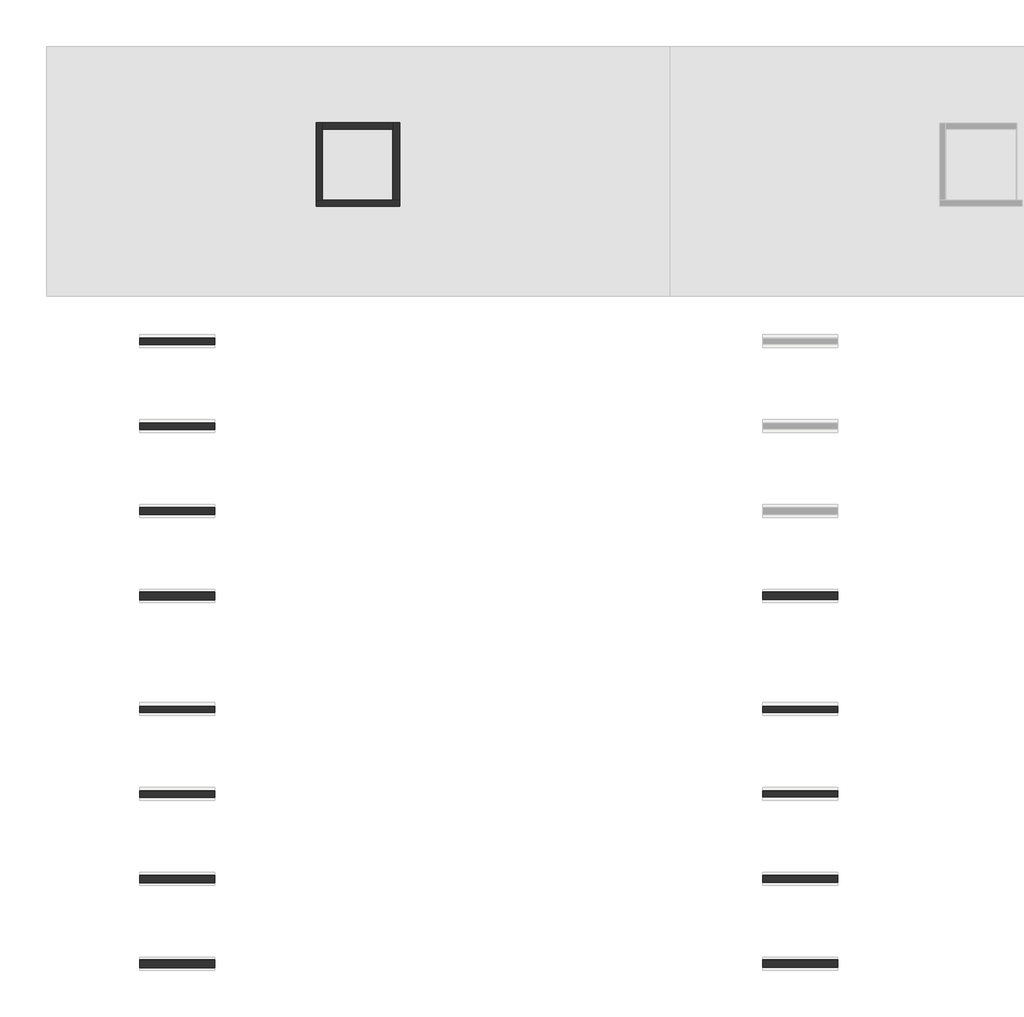
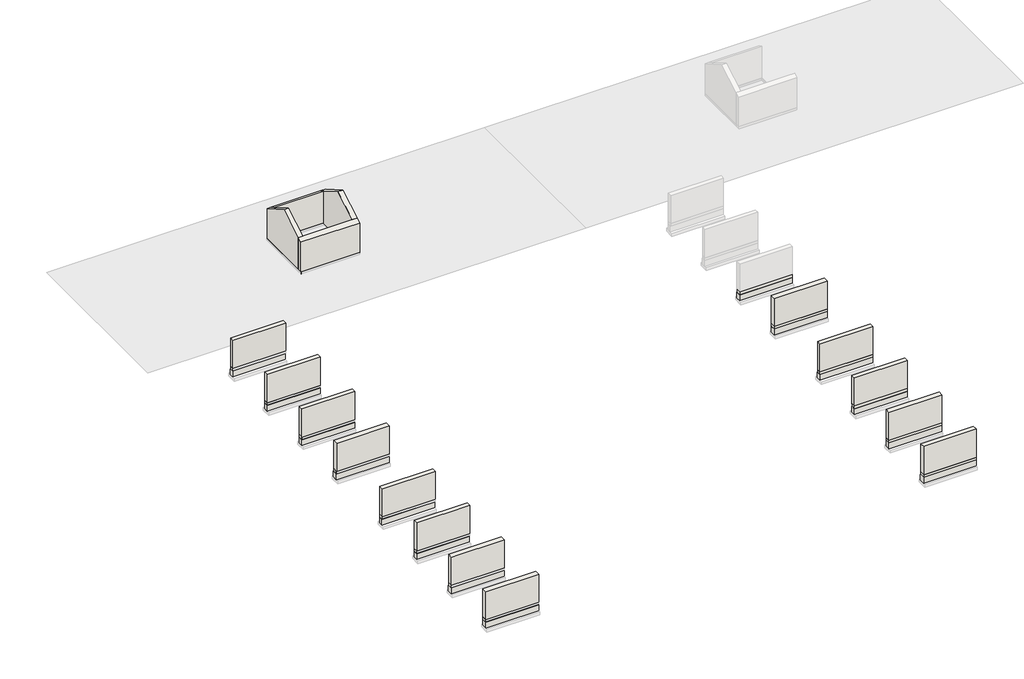
# One storey, part 1 of 2: 53 walls.
"""IFC4 building model written with IfcOpenShell, lengths in millimetres."""

from ifc_helpers import new_model, si_unit, frame, origin, place, context, project, spatial, polyline, outline, extrude, faceted_brep, element, save

model = new_model("IFC4")

# Units and contexts
model_context = context("Model", 3, world=origin())
ifc_project = project(units=[si_unit("LENGTHUNIT", "METRE", prefix="MILLI")], contexts=[model_context])

# Site, building, storey
site = spatial("IfcSite", under=ifc_project)
building = spatial("IfcBuilding", under=site)
storey = spatial("IfcBuildingStorey", under=building, Elevation=-900.0)

# Walls
placement = place(None, origin())
element("IfcWall", 1, at=placement, inside=storey, context=model_context, shape_type="Brep", body=[
    faceted_brep([(30427.1158978, 53561.4236863, -900.0), (36277.1158978, 53561.4236863, -900.0), (36277.1158978, 53561.4236863, -278.0), (30427.1158978, 53561.4236863, -278.0), (30427.1158978, 54001.4236863, -900.0), (30427.1158978, 54001.4236863, -278.0), (30867.1158978, 54001.4236863, -278.0), (36277.1158978, 54001.4236863, -278.0), (36277.1158978, 54001.4236863, -900.0), (35837.1158978, 54001.4236863, -900.0), (30867.1158978, 54001.4236863, -900.0), (30427.1158978, 53961.4236863, -278.0), (36277.1158978, 53961.4236863, -278.0)], [[[0, 1, 2, 3]], [[4, 5, 6, 7, 8, 9, 10]], [[1, 0, 4, 10, 9, 8]], [[0, 3, 11, 5, 4]], [[2, 1, 8, 7, 12]], [[3, 2, 12, 7, 6, 5, 11]]]),
])
element("IfcWall", 2, at=placement, inside=storey, context=model_context, shape_type="Brep", body=[
    faceted_brep([(30427.1158978, 53561.4236863, -278.0), (36277.1158978, 53561.4236863, -278.0), (36277.1158978, 53561.4236863, -225.0), (36277.1158978, 53561.4236863, 5.0), (30427.1158978, 53561.4236863, 5.0), (30427.1158978, 53561.4236863, -225.0), (36277.1158978, 53961.4236863, -278.0), (30827.1158978, 53961.4236863, -278.0), (30427.1158978, 53961.4236863, -278.0), (30427.1158978, 53961.4236863, -225.0), (30427.1158978, 53961.4236863, 5.0), (30827.1158978, 53961.4236863, 5.0), (36277.1158978, 53961.4236863, 5.0), (36277.1158978, 53961.4236863, 0.0), (36277.1158978, 53961.4236863, -275.0)], [[[0, 1, 2, 3, 4, 5]], [[6, 7, 8, 9, 10, 11, 12, 13, 14]], [[1, 0, 8, 7, 6]], [[8, 0, 5, 4, 10, 9]], [[1, 6, 14, 13, 12, 3, 2]], [[4, 3, 12, 11, 10]]]),
])
element("IfcWall", 3, at=placement, inside=storey, context=model_context, shape_type="Brep", body=[
    faceted_brep([(30403.1158978, 53537.4236863, 5.0), (36301.1158978, 53537.4236863, 5.0), (36301.1158978, 53537.4236863, 3152.9978213), (30403.1158978, 53537.4236863, 3152.9978213), (36301.1158978, 53976.4236863, 5.0), (30842.1158978, 53976.4236863, 5.0), (30403.1158978, 53976.4236863, 5.0), (30403.1158978, 53976.4236863, 3406.4545895), (30527.1158978, 53976.4236863, 3406.4545895), (30842.1158978, 53976.4236863, 3406.4545895), (35822.1158978, 53976.4236863, 3406.4545895), (36177.1158978, 53976.4236863, 3406.4545895), (36301.1158978, 53976.4236863, 3406.4545895)], [[[0, 1, 2, 3]], [[4, 5, 6, 7, 8, 9, 10, 11, 12]], [[1, 0, 6, 5, 4]], [[0, 3, 7, 6]], [[2, 1, 4, 12]], [[3, 2, 12, 11, 10, 9, 8, 7]]]),
])
element("IfcWall", 4, at=placement, inside=storey, context=model_context, shape_type="Brep", body=[
    faceted_brep([(30427.1158978, 59411.4236863, -900.0), (30427.1158978, 54001.4236863, -900.0), (30427.1158978, 54001.4236863, -278.0), (30427.1158978, 59411.4236863, -278.0), (30867.1158978, 59411.4236863, -900.0), (30867.1158978, 59411.4236863, -278.0), (30867.1158978, 58971.4236863, -278.0), (30867.1158978, 54001.4236863, -278.0), (30867.1158978, 54001.4236863, -900.0), (30867.1158978, 58971.4236863, -900.0), (30827.1158978, 59411.4236863, -278.0)], [[[0, 1, 2, 3]], [[4, 5, 6, 7, 8, 9]], [[1, 0, 4, 9, 8]], [[2, 1, 8, 7]], [[0, 3, 10, 5, 4]], [[3, 2, 7, 6, 5, 10]]]),
])
element("IfcWall", 5, at=placement, inside=storey, context=model_context, shape_type="Brep", body=[
    faceted_brep([(30427.1158978, 59411.4236863, -278.0), (30427.1158978, 54001.4236863, -278.0), (30427.1158978, 53961.4236863, -278.0), (30427.1158978, 53961.4236863, -225.0), (30427.1158978, 53961.4236863, 5.0), (30427.1158978, 59411.4236863, 5.0), (30427.1158978, 59411.4236863, -225.0), (30827.1158978, 53961.4236863, -278.0), (30827.1158978, 59011.4236863, -278.0), (30827.1158978, 59411.4236863, -278.0), (30827.1158978, 59411.4236863, -225.0), (30827.1158978, 59411.4236863, 5.0), (30827.1158978, 59011.4236863, 5.0), (30827.1158978, 53961.4236863, 5.0)], [[[0, 1, 2, 3, 4, 5, 6]], [[7, 8, 9, 10, 11, 12, 13]], [[2, 1, 0, 9, 8, 7]], [[2, 7, 13, 4, 3]], [[9, 0, 6, 5, 11, 10]], [[5, 4, 13, 12, 11]]]),
])
element("IfcWall", 6, at=placement, inside=storey, context=model_context, shape_type="Brep", body=[
    faceted_brep([(30403.1158978, 59435.4236863, 5.0), (30403.1158978, 53976.4236863, 5.0), (30403.1158978, 53976.4236863, 3406.4545895), (30403.1158978, 56486.4236863, 4855.6037652), (30403.1158978, 59435.4236863, 3152.9978213), (30842.1158978, 59435.4236863, 5.0), (30842.1158978, 59435.4236863, 3152.9978213), (30842.1158978, 58996.4236863, 3406.4545895), (30842.1158978, 56486.4236863, 4855.6037652), (30842.1158978, 53976.4236863, 3406.4545895), (30842.1158978, 53976.4236863, 5.0), (30842.1158978, 58996.4236863, 5.0)], [[[0, 1, 2, 3, 4]], [[5, 6, 7, 8, 9, 10, 11]], [[1, 0, 5, 11, 10]], [[2, 1, 10, 9]], [[0, 4, 6, 5]], [[4, 3, 8, 7, 6]], [[3, 2, 9, 8]]]),
])
element("IfcWall", 7, at=placement, inside=storey, context=model_context, shape_type="SweptSolid", body=[
    extrude(outline(polyline([(30867.1158978, 59411.4236863), (35837.1158978, 59411.4236863), (35837.1158978, 58971.4236863), (30867.1158978, 58971.4236863), (30867.1158978, 59411.4236863)])), frame((0.0, 0.0, -900.0), z_axis=(0.0, 0.0, 1.0), x_axis=(1.0, 0.0, 0.0)), (0.0, 0.0, 1.0), 622.0),
])
element("IfcWall", 8, at=placement, inside=storey, context=model_context, shape_type="Brep", body=[
    faceted_brep([(35877.1158978, 59411.4236863, -278.0), (35837.1158978, 59411.4236863, -278.0), (30867.1158978, 59411.4236863, -278.0), (30827.1158978, 59411.4236863, -278.0), (30827.1158978, 59411.4236863, -225.0), (30827.1158978, 59411.4236863, 5.0), (35877.1158978, 59411.4236863, 5.0), (35877.1158978, 59411.4236863, 0.0), (35877.1158978, 59411.4236863, -225.0), (35877.1158978, 59411.4236863, -275.0), (30827.1158978, 59011.4236863, -278.0), (35877.1158978, 59011.4236863, -278.0), (35877.1158978, 59011.4236863, 5.0), (30827.1158978, 59011.4236863, 5.0)], [[[0, 1, 2, 3, 4, 5, 6, 7, 8, 9]], [[10, 11, 12, 13]], [[3, 2, 1, 0, 11, 10]], [[3, 10, 13, 5, 4]], [[12, 11, 0, 9, 8, 7, 6]], [[6, 5, 13, 12]]]),
])
element("IfcWall", 9, at=placement, inside=storey, context=model_context, shape_type="Brep", body=[
    faceted_brep([(35822.1158978, 59435.4236863, 5.0), (30842.1158978, 59435.4236863, 5.0), (30842.1158978, 59435.4236863, 3152.9978213), (35822.1158978, 59435.4236863, 3152.9978213), (35822.1158978, 58996.4236863, 5.0), (35822.1158978, 58996.4236863, 14.5), (35822.1158978, 58996.4236863, 134.5), (35822.1158978, 58996.4236863, 3406.4545895), (30842.1158978, 58996.4236863, 3406.4545895), (30842.1158978, 58996.4236863, 5.0)], [[[0, 1, 2, 3]], [[4, 5, 6, 7, 8, 9]], [[1, 0, 4, 9]], [[2, 1, 9, 8]], [[0, 3, 7, 6, 5, 4]], [[3, 2, 8, 7]]]),
])
element("IfcWall", 10, at=placement, inside=storey, context=model_context, shape_type="Brep", body=[
    faceted_brep([(35837.1158978, 59411.4236863, -900.0), (35837.1158978, 58971.4236863, -900.0), (35837.1158978, 54001.4236863, -900.0), (35837.1158978, 54001.4236863, -275.0), (35837.1158978, 59411.4236863, -275.0), (35837.1158978, 59411.4236863, -278.0), (36277.1158978, 59411.4236863, -900.0), (36277.1158978, 59411.4236863, -275.0), (36277.1158978, 54001.4236863, -275.0), (36277.1158978, 54001.4236863, -278.0), (36277.1158978, 54001.4236863, -900.0), (35877.1158978, 59411.4236863, -275.0)], [[[0, 1, 2, 3, 4, 5]], [[6, 7, 8, 9, 10]], [[2, 1, 0, 6, 10]], [[3, 2, 10, 9, 8]], [[0, 5, 4, 11, 7, 6]], [[4, 3, 8, 7, 11]]]),
])
element("IfcWall", 11, at=placement, inside=storey, context=model_context, shape_type="Brep", body=[
    faceted_brep([(35877.1158978, 59411.4236863, -275.0), (35877.1158978, 53961.4236863, -275.0), (35877.1158978, 53961.4236863, 0.0), (35877.1158978, 59411.4236863, 0.0), (36277.1158978, 59411.4236863, -275.0), (36277.1158978, 59411.4236863, 0.0), (36277.1158978, 53961.4236863, 0.0), (36277.1158978, 53961.4236863, -275.0), (36277.1158978, 54001.4236863, -275.0)], [[[0, 1, 2, 3]], [[4, 5, 6, 7, 8]], [[1, 0, 4, 8, 7]], [[2, 1, 7, 6]], [[0, 3, 5, 4]], [[3, 2, 6, 5]]]),
])
element("IfcWall", 12, at=placement, inside=storey, context=model_context, shape_type="Brep", body=[
    faceted_brep([(35822.1158978, 59435.4236863, 0.0), (35822.1158978, 53976.4236863, 0.0), (35822.1158978, 53976.4236863, 9.5), (35822.1158978, 53976.4236863, 129.5), (35822.1158978, 53976.4236863, 3406.4545895), (35822.1158978, 56486.4236863, 4855.6037652), (35822.1158978, 58996.4236863, 3406.4545895), (35822.1158978, 59435.4236863, 3152.9978213), (35822.1158978, 59435.4236863, 5.0), (36301.1158978, 59435.4236863, 0.0), (36301.1158978, 59435.4236863, 3152.9978213), (36301.1158978, 56486.4236863, 4855.6037652), (36301.1158978, 53976.4236863, 3406.4545895), (36301.1158978, 53976.4236863, 5.0), (36301.1158978, 53976.4236863, 0.0)], [[[0, 1, 2, 3, 4, 5, 6, 7, 8]], [[9, 10, 11, 12, 13, 14]], [[1, 0, 9, 14]], [[4, 3, 2, 1, 14, 13, 12]], [[0, 8, 7, 10, 9]], [[7, 6, 5, 11, 10]], [[5, 4, 12, 11]]]),
])
element("IfcWall", 13, at=placement, inside=storey, context=model_context, shape_type="Brep", body=[
    faceted_brep([(17930.0129216, -249.5763137, -900.0), (23240.0129216, -249.5763137, -900.0), (23240.0129216, -249.5763137, -278.0), (17930.0129216, -249.5763137, -278.0), (17930.0129216, 290.4236863, -900.0), (17930.0129216, 290.4236863, -278.0), (23240.0129216, 290.4236863, -278.0), (23240.0129216, 290.4236863, -900.0), (23240.0129216, 250.4236863, -278.0), (17930.0129216, 250.4236863, -278.0)], [[[0, 1, 2, 3]], [[4, 5, 6, 7]], [[1, 0, 4, 7]], [[2, 1, 7, 6, 8]], [[3, 2, 8, 6, 5, 9]], [[0, 3, 9, 5, 4]]]),
])
element("IfcWall", 14, at=placement, inside=storey, context=model_context, shape_type="Brep", body=[
    faceted_brep([(17930.0129216, -249.5763137, -278.0), (23240.0129216, -249.5763137, -278.0), (23240.0129216, -249.5763137, -225.0), (23240.0129216, -249.5763137, 5.0), (17930.0129216, -249.5763137, 5.0), (17930.0129216, -249.5763137, -225.0), (17930.0129216, 250.4236863, -278.0), (17930.0129216, 250.4236863, 5.0), (23240.0129216, 250.4236863, 5.0), (23240.0129216, 250.4236863, -278.0)], [[[0, 1, 2, 3, 4, 5]], [[6, 7, 8, 9]], [[1, 0, 6, 9]], [[3, 2, 1, 9, 8]], [[4, 3, 8, 7]], [[0, 5, 4, 7, 6]]]),
])
element("IfcWall", 15, at=placement, inside=storey, context=model_context, shape_type="Brep", body=[
    faceted_brep([(17930.0129216, -273.5763137, 5.0), (23240.0129216, -273.5763137, 5.0), (23240.0129216, -273.5763137, 3000.0), (17930.0129216, -273.5763137, 3000.0), (17930.0129216, 265.4236863, 5.0), (17930.0129216, 265.4236863, 14.5), (17930.0129216, 265.4236863, 134.5), (17930.0129216, 265.4236863, 3000.0), (23240.0129216, 265.4236863, 3000.0), (23240.0129216, 265.4236863, 134.5), (23240.0129216, 265.4236863, 14.5), (23240.0129216, 265.4236863, 5.0), (17930.0129216, -249.5763137, 5.0), (17930.0129216, 250.4236863, 5.0), (23240.0129216, 250.4236863, 5.0), (23240.0129216, -249.5763137, 5.0)], [[[0, 1, 2, 3]], [[4, 5, 6, 7, 8, 9, 10, 11]], [[1, 0, 12, 13, 4, 11, 14, 15]], [[2, 1, 15, 14, 11, 10, 9, 8]], [[3, 2, 8, 7]], [[0, 3, 7, 6, 5, 4, 13, 12]]]),
])
element("IfcWall", 16, at=placement, inside=storey, context=model_context, shape_type="Brep", body=[
    faceted_brep([(17930.0129216, 5775.4236863, -900.0), (23240.0129216, 5775.4236863, -900.0), (23240.0129216, 5775.4236863, -278.0), (17930.0129216, 5775.4236863, -278.0), (17930.0129216, 6265.4236863, -900.0), (17930.0129216, 6265.4236863, -278.0), (23240.0129216, 6265.4236863, -278.0), (23240.0129216, 6265.4236863, -900.0), (23240.0129216, 6225.4236863, -278.0), (17930.0129216, 6225.4236863, -278.0)], [[[0, 1, 2, 3]], [[4, 5, 6, 7]], [[1, 0, 4, 7]], [[2, 1, 7, 6, 8]], [[3, 2, 8, 6, 5, 9]], [[0, 3, 9, 5, 4]]]),
])
element("IfcWall", 17, at=placement, inside=storey, context=model_context, shape_type="Brep", body=[
    faceted_brep([(17930.0129216, 5775.4236863, -278.0), (23240.0129216, 5775.4236863, -278.0), (23240.0129216, 5775.4236863, -225.0), (23240.0129216, 5775.4236863, 5.0), (17930.0129216, 5775.4236863, 5.0), (17930.0129216, 5775.4236863, -225.0), (17930.0129216, 6225.4236863, -278.0), (17930.0129216, 6225.4236863, 5.0), (23240.0129216, 6225.4236863, 5.0), (23240.0129216, 6225.4236863, -278.0)], [[[0, 1, 2, 3, 4, 5]], [[6, 7, 8, 9]], [[1, 0, 6, 9]], [[3, 2, 1, 9, 8]], [[4, 3, 8, 7]], [[0, 5, 4, 7, 6]]]),
])
element("IfcWall", 18, at=placement, inside=storey, context=model_context, shape_type="Brep", body=[
    faceted_brep([(17930.0129216, 5751.4236863, 5.0), (23240.0129216, 5751.4236863, 5.0), (23240.0129216, 5751.4236863, 3000.0), (17930.0129216, 5751.4236863, 3000.0), (17930.0129216, 6240.4236863, 5.0), (17930.0129216, 6240.4236863, 14.5), (17930.0129216, 6240.4236863, 134.5), (17930.0129216, 6240.4236863, 3000.0), (23240.0129216, 6240.4236863, 3000.0), (23240.0129216, 6240.4236863, 134.5), (23240.0129216, 6240.4236863, 14.5), (23240.0129216, 6240.4236863, 5.0), (17930.0129216, 5775.4236863, 5.0), (17930.0129216, 6225.4236863, 5.0), (23240.0129216, 6225.4236863, 5.0), (23240.0129216, 5775.4236863, 5.0)], [[[0, 1, 2, 3]], [[4, 5, 6, 7, 8, 9, 10, 11]], [[1, 0, 12, 13, 4, 11, 14, 15]], [[2, 1, 15, 14, 11, 10, 9, 8]], [[3, 2, 8, 7]], [[0, 3, 7, 6, 5, 4, 13, 12]]]),
])
element("IfcWall", 19, at=placement, inside=storey, context=model_context, shape_type="Brep", body=[
    faceted_brep([(17930.0129216, 11800.4236863, -900.0), (23240.0129216, 11800.4236863, -900.0), (23240.0129216, 11800.4236863, -278.0), (17930.0129216, 11800.4236863, -278.0), (17930.0129216, 12240.4236863, -900.0), (17930.0129216, 12240.4236863, -278.0), (23240.0129216, 12240.4236863, -278.0), (23240.0129216, 12240.4236863, -900.0), (23240.0129216, 12200.4236863, -278.0), (17930.0129216, 12200.4236863, -278.0)], [[[0, 1, 2, 3]], [[4, 5, 6, 7]], [[1, 0, 4, 7]], [[2, 1, 7, 6, 8]], [[3, 2, 8, 6, 5, 9]], [[0, 3, 9, 5, 4]]]),
])
element("IfcWall", 20, at=placement, inside=storey, context=model_context, shape_type="Brep", body=[
    faceted_brep([(17930.0129216, 11800.4236863, -278.0), (23240.0129216, 11800.4236863, -278.0), (23240.0129216, 11800.4236863, -225.0), (23240.0129216, 11800.4236863, 5.0), (17930.0129216, 11800.4236863, 5.0), (17930.0129216, 11800.4236863, -225.0), (17930.0129216, 12200.4236863, -278.0), (17930.0129216, 12200.4236863, 5.0), (23240.0129216, 12200.4236863, 5.0), (23240.0129216, 12200.4236863, -278.0)], [[[0, 1, 2, 3, 4, 5]], [[6, 7, 8, 9]], [[1, 0, 6, 9]], [[3, 2, 1, 9, 8]], [[4, 3, 8, 7]], [[0, 5, 4, 7, 6]]]),
])
element("IfcWall", 21, at=placement, inside=storey, context=model_context, shape_type="Brep", body=[
    faceted_brep([(17930.0129216, 11776.4236863, 5.0), (23240.0129216, 11776.4236863, 5.0), (23240.0129216, 11776.4236863, 3000.0), (17930.0129216, 11776.4236863, 3000.0), (17930.0129216, 12215.4236863, 5.0), (17930.0129216, 12215.4236863, 14.5), (17930.0129216, 12215.4236863, 134.5), (17930.0129216, 12215.4236863, 3000.0), (23240.0129216, 12215.4236863, 3000.0), (23240.0129216, 12215.4236863, 134.5), (23240.0129216, 12215.4236863, 14.5), (23240.0129216, 12215.4236863, 5.0), (17930.0129216, 11800.4236863, 5.0), (17930.0129216, 12200.4236863, 5.0), (23240.0129216, 12200.4236863, 5.0), (23240.0129216, 11800.4236863, 5.0)], [[[0, 1, 2, 3]], [[4, 5, 6, 7, 8, 9, 10, 11]], [[1, 0, 12, 13, 4, 11, 14, 15]], [[2, 1, 15, 14, 11, 10, 9, 8]], [[3, 2, 8, 7]], [[0, 3, 7, 6, 5, 4, 13, 12]]]),
])
element("IfcWall", 22, at=placement, inside=storey, context=model_context, shape_type="Brep", body=[
    faceted_brep([(17930.0129216, 17825.4236863, -900.0), (23240.0129216, 17825.4236863, -900.0), (23240.0129216, 17825.4236863, -278.0), (17930.0129216, 17825.4236863, -278.0), (17930.0129216, 18215.4236863, -900.0), (17930.0129216, 18215.4236863, -278.0), (23240.0129216, 18215.4236863, -278.0), (23240.0129216, 18215.4236863, -900.0), (23240.0129216, 18175.4236863, -278.0), (17930.0129216, 18175.4236863, -278.0)], [[[0, 1, 2, 3]], [[4, 5, 6, 7]], [[1, 0, 4, 7]], [[2, 1, 7, 6, 8]], [[3, 2, 8, 6, 5, 9]], [[0, 3, 9, 5, 4]]]),
])
element("IfcWall", 23, at=placement, inside=storey, context=model_context, shape_type="Brep", body=[
    faceted_brep([(17930.0129216, 17795.4236863, -278.0), (23240.0129216, 17795.4236863, -278.0), (23240.0129216, 17795.4236863, -225.0), (23240.0129216, 17795.4236863, 5.0), (17930.0129216, 17795.4236863, 5.0), (17930.0129216, 17795.4236863, -225.0), (17930.0129216, 18175.4236863, -278.0), (17930.0129216, 18175.4236863, 5.0), (23240.0129216, 18175.4236863, 5.0), (23240.0129216, 18175.4236863, -278.0), (17930.0129216, 17825.4236863, -278.0), (23240.0129216, 17825.4236863, -278.0)], [[[0, 1, 2, 3, 4, 5]], [[6, 7, 8, 9]], [[1, 0, 10, 6, 9, 11]], [[3, 2, 1, 11, 9, 8]], [[4, 3, 8, 7]], [[0, 5, 4, 7, 6, 10]]]),
])
element("IfcWall", 24, at=placement, inside=storey, context=model_context, shape_type="Brep", body=[
    faceted_brep([(17930.0129216, 17771.4236863, 5.0), (23240.0129216, 17771.4236863, 5.0), (23240.0129216, 17771.4236863, 3000.0), (17930.0129216, 17771.4236863, 3000.0), (17930.0129216, 18190.4236863, 5.0), (17930.0129216, 18190.4236863, 14.5), (17930.0129216, 18190.4236863, 134.5), (17930.0129216, 18190.4236863, 3000.0), (23240.0129216, 18190.4236863, 3000.0), (23240.0129216, 18190.4236863, 134.5), (23240.0129216, 18190.4236863, 14.5), (23240.0129216, 18190.4236863, 5.0), (17930.0129216, 17795.4236863, 5.0), (17930.0129216, 18175.4236863, 5.0), (23240.0129216, 18175.4236863, 5.0), (23240.0129216, 17795.4236863, 5.0)], [[[0, 1, 2, 3]], [[4, 5, 6, 7, 8, 9, 10, 11]], [[1, 0, 12, 13, 4, 11, 14, 15]], [[2, 1, 15, 14, 11, 10, 9, 8]], [[3, 2, 8, 7]], [[0, 3, 7, 6, 5, 4, 13, 12]]]),
])
element("IfcWall", 25, at=placement, inside=storey, context=model_context, shape_type="Brep", body=[
    faceted_brep([(17930.0129216, 25750.4236863, -900.0), (23240.0129216, 25750.4236863, -900.0), (23240.0129216, 25750.4236863, -278.0), (17930.0129216, 25750.4236863, -278.0), (17930.0129216, 26290.4236863, -900.0), (17930.0129216, 26290.4236863, -278.0), (23240.0129216, 26290.4236863, -278.0), (23240.0129216, 26290.4236863, -900.0), (23240.0129216, 26250.4236863, -278.0), (17930.0129216, 26250.4236863, -278.0)], [[[0, 1, 2, 3]], [[4, 5, 6, 7]], [[1, 0, 4, 7]], [[2, 1, 7, 6, 8]], [[3, 2, 8, 6, 5, 9]], [[0, 3, 9, 5, 4]]]),
])
element("IfcWall", 26, at=placement, inside=storey, context=model_context, shape_type="Brep", body=[
    faceted_brep([(17930.0129216, 25750.4236863, -278.0), (23240.0129216, 25750.4236863, -278.0), (23240.0129216, 25750.4236863, -225.0), (23240.0129216, 25750.4236863, 5.0), (17930.0129216, 25750.4236863, 5.0), (17930.0129216, 25750.4236863, -225.0), (17930.0129216, 26250.4236863, -278.0), (17930.0129216, 26250.4236863, 5.0), (23240.0129216, 26250.4236863, 5.0), (23240.0129216, 26250.4236863, -278.0)], [[[0, 1, 2, 3, 4, 5]], [[6, 7, 8, 9]], [[1, 0, 6, 9]], [[3, 2, 1, 9, 8]], [[4, 3, 8, 7]], [[0, 5, 4, 7, 6]]]),
])
element("IfcWall", 27, at=placement, inside=storey, context=model_context, shape_type="Brep", body=[
    faceted_brep([(17930.0129216, 25726.4236863, 5.0), (23240.0129216, 25726.4236863, 5.0), (23240.0129216, 25726.4236863, 3000.0), (17930.0129216, 25726.4236863, 3000.0), (17930.0129216, 26265.4236863, 5.0), (17930.0129216, 26265.4236863, 14.5), (17930.0129216, 26265.4236863, 134.5), (17930.0129216, 26265.4236863, 3000.0), (23240.0129216, 26265.4236863, 3000.0), (23240.0129216, 26265.4236863, 134.5), (23240.0129216, 26265.4236863, 14.5), (23240.0129216, 26265.4236863, 5.0), (17930.0129216, 25750.4236863, 5.0), (17930.0129216, 26250.4236863, 5.0), (23240.0129216, 26250.4236863, 5.0), (23240.0129216, 25750.4236863, 5.0)], [[[0, 1, 2, 3]], [[4, 5, 6, 7, 8, 9, 10, 11]], [[1, 0, 12, 13, 4, 11, 14, 15]], [[2, 1, 15, 14, 11, 10, 9, 8]], [[3, 2, 8, 7]], [[0, 3, 7, 6, 5, 4, 13, 12]]]),
])
element("IfcWall", 28, at=placement, inside=storey, context=model_context, shape_type="Brep", body=[
    faceted_brep([(17930.0129216, 31775.4236863, -900.0), (23240.0129216, 31775.4236863, -900.0), (23240.0129216, 31775.4236863, -278.0), (17930.0129216, 31775.4236863, -278.0), (17930.0129216, 32265.4236863, -900.0), (17930.0129216, 32265.4236863, -278.0), (23240.0129216, 32265.4236863, -278.0), (23240.0129216, 32265.4236863, -900.0), (23240.0129216, 32225.4236863, -278.0), (17930.0129216, 32225.4236863, -278.0)], [[[0, 1, 2, 3]], [[4, 5, 6, 7]], [[1, 0, 4, 7]], [[2, 1, 7, 6, 8]], [[3, 2, 8, 6, 5, 9]], [[0, 3, 9, 5, 4]]]),
])
element("IfcWall", 29, at=placement, inside=storey, context=model_context, shape_type="Brep", body=[
    faceted_brep([(17930.0129216, 31775.4236863, -278.0), (23240.0129216, 31775.4236863, -278.0), (23240.0129216, 31775.4236863, -225.0), (23240.0129216, 31775.4236863, 5.0), (17930.0129216, 31775.4236863, 5.0), (17930.0129216, 31775.4236863, -225.0), (17930.0129216, 32225.4236863, -278.0), (17930.0129216, 32225.4236863, 5.0), (23240.0129216, 32225.4236863, 5.0), (23240.0129216, 32225.4236863, -278.0)], [[[0, 1, 2, 3, 4, 5]], [[6, 7, 8, 9]], [[1, 0, 6, 9]], [[3, 2, 1, 9, 8]], [[4, 3, 8, 7]], [[0, 5, 4, 7, 6]]]),
])
element("IfcWall", 30, at=placement, inside=storey, context=model_context, shape_type="Brep", body=[
    faceted_brep([(17930.0129216, 31751.4236863, 5.0), (23240.0129216, 31751.4236863, 5.0), (23240.0129216, 31751.4236863, 3000.0), (17930.0129216, 31751.4236863, 3000.0), (17930.0129216, 32240.4236863, 5.0), (17930.0129216, 32240.4236863, 14.5), (17930.0129216, 32240.4236863, 134.5), (17930.0129216, 32240.4236863, 3000.0), (23240.0129216, 32240.4236863, 3000.0), (23240.0129216, 32240.4236863, 134.5), (23240.0129216, 32240.4236863, 14.5), (23240.0129216, 32240.4236863, 5.0), (17930.0129216, 31775.4236863, 5.0), (17930.0129216, 32225.4236863, 5.0), (23240.0129216, 32225.4236863, 5.0), (23240.0129216, 31775.4236863, 5.0)], [[[0, 1, 2, 3]], [[4, 5, 6, 7, 8, 9, 10, 11]], [[1, 0, 12, 13, 4, 11, 14, 15]], [[2, 1, 15, 14, 11, 10, 9, 8]], [[3, 2, 8, 7]], [[0, 3, 7, 6, 5, 4, 13, 12]]]),
])
element("IfcWall", 31, at=placement, inside=storey, context=model_context, shape_type="Brep", body=[
    faceted_brep([(17930.0129216, 37800.4236863, -900.0), (23240.0129216, 37800.4236863, -900.0), (23240.0129216, 37800.4236863, -278.0), (17930.0129216, 37800.4236863, -278.0), (17930.0129216, 38240.4236863, -900.0), (17930.0129216, 38240.4236863, -278.0), (23240.0129216, 38240.4236863, -278.0), (23240.0129216, 38240.4236863, -900.0), (23240.0129216, 38200.4236863, -278.0), (17930.0129216, 38200.4236863, -278.0)], [[[0, 1, 2, 3]], [[4, 5, 6, 7]], [[1, 0, 4, 7]], [[2, 1, 7, 6, 8]], [[3, 2, 8, 6, 5, 9]], [[0, 3, 9, 5, 4]]]),
])
element("IfcWall", 32, at=placement, inside=storey, context=model_context, shape_type="Brep", body=[
    faceted_brep([(17930.0129216, 37800.4236863, -278.0), (23240.0129216, 37800.4236863, -278.0), (23240.0129216, 37800.4236863, -225.0), (23240.0129216, 37800.4236863, 5.0), (17930.0129216, 37800.4236863, 5.0), (17930.0129216, 37800.4236863, -225.0), (17930.0129216, 38200.4236863, -278.0), (17930.0129216, 38200.4236863, 5.0), (23240.0129216, 38200.4236863, 5.0), (23240.0129216, 38200.4236863, -278.0)], [[[0, 1, 2, 3, 4, 5]], [[6, 7, 8, 9]], [[1, 0, 6, 9]], [[3, 2, 1, 9, 8]], [[4, 3, 8, 7]], [[0, 5, 4, 7, 6]]]),
])
element("IfcWall", 33, at=placement, inside=storey, context=model_context, shape_type="Brep", body=[
    faceted_brep([(17930.0129216, 37776.4236863, 5.0), (23240.0129216, 37776.4236863, 5.0), (23240.0129216, 37776.4236863, 3000.0), (17930.0129216, 37776.4236863, 3000.0), (17930.0129216, 38215.4236863, 5.0), (17930.0129216, 38215.4236863, 14.5), (17930.0129216, 38215.4236863, 134.5), (17930.0129216, 38215.4236863, 3000.0), (23240.0129216, 38215.4236863, 3000.0), (23240.0129216, 38215.4236863, 134.5), (23240.0129216, 38215.4236863, 14.5), (23240.0129216, 38215.4236863, 5.0), (17930.0129216, 37800.4236863, 5.0), (17930.0129216, 38200.4236863, 5.0), (23240.0129216, 38200.4236863, 5.0), (23240.0129216, 37800.4236863, 5.0)], [[[0, 1, 2, 3]], [[4, 5, 6, 7, 8, 9, 10, 11]], [[1, 0, 12, 13, 4, 11, 14, 15]], [[2, 1, 15, 14, 11, 10, 9, 8]], [[3, 2, 8, 7]], [[0, 3, 7, 6, 5, 4, 13, 12]]]),
])
element("IfcWall", 34, at=placement, inside=storey, context=model_context, shape_type="Brep", body=[
    faceted_brep([(17930.0129216, 43825.4236863, -900.0), (23240.0129216, 43825.4236863, -900.0), (23240.0129216, 43825.4236863, -278.0), (17930.0129216, 43825.4236863, -278.0), (17930.0129216, 44215.4236863, -900.0), (17930.0129216, 44215.4236863, -278.0), (23240.0129216, 44215.4236863, -278.0), (23240.0129216, 44215.4236863, -900.0), (23240.0129216, 44175.4236863, -278.0), (17930.0129216, 44175.4236863, -278.0)], [[[0, 1, 2, 3]], [[4, 5, 6, 7]], [[1, 0, 4, 7]], [[2, 1, 7, 6, 8]], [[3, 2, 8, 6, 5, 9]], [[0, 3, 9, 5, 4]]]),
])
element("IfcWall", 35, at=placement, inside=storey, context=model_context, shape_type="Brep", body=[
    faceted_brep([(17930.0129216, 43805.4236863, -278.0), (23240.0129216, 43805.4236863, -278.0), (23240.0129216, 43805.4236863, -225.0), (23240.0129216, 43805.4236863, 5.0), (17930.0129216, 43805.4236863, 5.0), (17930.0129216, 43805.4236863, -225.0), (17930.0129216, 44175.4236863, -278.0), (17930.0129216, 44175.4236863, 5.0), (23240.0129216, 44175.4236863, 5.0), (23240.0129216, 44175.4236863, -278.0), (17930.0129216, 43825.4236863, -278.0), (23240.0129216, 43825.4236863, -278.0)], [[[0, 1, 2, 3, 4, 5]], [[6, 7, 8, 9]], [[1, 0, 10, 6, 9, 11]], [[3, 2, 1, 11, 9, 8]], [[4, 3, 8, 7]], [[0, 5, 4, 7, 6, 10]]]),
])
element("IfcWall", 36, at=placement, inside=storey, context=model_context, shape_type="Brep", body=[
    faceted_brep([(17930.0129216, 43781.4236863, 5.0), (23240.0129216, 43781.4236863, 5.0), (23240.0129216, 43781.4236863, 3000.0), (17930.0129216, 43781.4236863, 3000.0), (17930.0129216, 44190.4236863, 5.0), (17930.0129216, 44190.4236863, 14.5), (17930.0129216, 44190.4236863, 134.5), (17930.0129216, 44190.4236863, 3000.0), (23240.0129216, 44190.4236863, 3000.0), (23240.0129216, 44190.4236863, 134.5), (23240.0129216, 44190.4236863, 14.5), (23240.0129216, 44190.4236863, 5.0), (17930.0129216, 43805.4236863, 5.0), (17930.0129216, 44175.4236863, 5.0), (23240.0129216, 44175.4236863, 5.0), (23240.0129216, 43805.4236863, 5.0)], [[[0, 1, 2, 3]], [[4, 5, 6, 7, 8, 9, 10, 11]], [[1, 0, 12, 13, 4, 11, 14, 15]], [[2, 1, 15, 14, 11, 10, 9, 8]], [[3, 2, 8, 7]], [[0, 3, 7, 6, 5, 4, 13, 12]]]),
])
element("IfcWall", 37, at=placement, inside=storey, context=model_context, shape_type="Brep", body=[
    faceted_brep([(61930.0129216, -249.5763137, -900.0), (67240.0129216, -249.5763137, -900.0), (67240.0129216, -249.5763137, -278.0), (61930.0129216, -249.5763137, -278.0), (61930.0129216, 290.4236863, -900.0), (61930.0129216, 290.4236863, -278.0), (67240.0129216, 290.4236863, -278.0), (67240.0129216, 290.4236863, -900.0), (67240.0129216, 250.4236863, -278.0), (61930.0129216, 250.4236863, -278.0)], [[[0, 1, 2, 3]], [[4, 5, 6, 7]], [[1, 0, 4, 7]], [[2, 1, 7, 6, 8]], [[3, 2, 8, 6, 5, 9]], [[0, 3, 9, 5, 4]]]),
])
element("IfcWall", 38, at=placement, inside=storey, context=model_context, shape_type="SweptSolid", body=[
    extrude(outline(polyline([(67240.0129216, -249.5763137), (61930.0129216, -249.5763137), (61930.0129216, 250.4236863), (67240.0129216, 250.4236863), (67240.0129216, -249.5763137)])), frame((0.0, 0.0, -278.0), z_axis=(0.0, 0.0, 1.0), x_axis=(1.0, 0.0, 0.0)), (0.0, 0.0, 1.0), 283.0),
])
element("IfcWall", 39, at=placement, inside=storey, context=model_context, shape_type="Brep", body=[
    faceted_brep([(61930.0129216, -249.5763137, 5.0), (67240.0129216, -249.5763137, 5.0), (67240.0129216, -249.5763137, 3000.0), (61930.0129216, -249.5763137, 3000.0), (61930.0129216, 265.4236863, 5.0), (61930.0129216, 265.4236863, 14.5), (61930.0129216, 265.4236863, 134.5), (61930.0129216, 265.4236863, 3000.0), (67240.0129216, 265.4236863, 3000.0), (67240.0129216, 265.4236863, 134.5), (67240.0129216, 265.4236863, 14.5), (67240.0129216, 265.4236863, 5.0), (61930.0129216, 250.4236863, 5.0), (67240.0129216, 250.4236863, 5.0)], [[[0, 1, 2, 3]], [[4, 5, 6, 7, 8, 9, 10, 11]], [[1, 0, 12, 4, 11, 13]], [[2, 1, 13, 11, 10, 9, 8]], [[3, 2, 8, 7]], [[0, 3, 7, 6, 5, 4, 12]]]),
])
element("IfcWall", 40, at=placement, inside=storey, context=model_context, shape_type="Brep", body=[
    faceted_brep([(61930.0129216, 5775.4236863, -900.0), (67240.0129216, 5775.4236863, -900.0), (67240.0129216, 5775.4236863, -278.0), (61930.0129216, 5775.4236863, -278.0), (61930.0129216, 6265.4236863, -900.0), (61930.0129216, 6265.4236863, -278.0), (67240.0129216, 6265.4236863, -278.0), (67240.0129216, 6265.4236863, -900.0), (67240.0129216, 6225.4236863, -278.0), (61930.0129216, 6225.4236863, -278.0)], [[[0, 1, 2, 3]], [[4, 5, 6, 7]], [[1, 0, 4, 7]], [[2, 1, 7, 6, 8]], [[3, 2, 8, 6, 5, 9]], [[0, 3, 9, 5, 4]]]),
])
element("IfcWall", 41, at=placement, inside=storey, context=model_context, shape_type="SweptSolid", body=[
    extrude(outline(polyline([(67240.0129216, 5775.4236863), (61930.0129216, 5775.4236863), (61930.0129216, 6225.4236863), (67240.0129216, 6225.4236863), (67240.0129216, 5775.4236863)])), frame((0.0, 0.0, -278.0), z_axis=(0.0, 0.0, 1.0), x_axis=(1.0, 0.0, 0.0)), (0.0, 0.0, 1.0), 283.0),
])
element("IfcWall", 42, at=placement, inside=storey, context=model_context, shape_type="Brep", body=[
    faceted_brep([(61930.0129216, 5775.4236863, 5.0), (67240.0129216, 5775.4236863, 5.0), (67240.0129216, 5775.4236863, 3000.0), (61930.0129216, 5775.4236863, 3000.0), (61930.0129216, 6240.4236863, 5.0), (61930.0129216, 6240.4236863, 14.5), (61930.0129216, 6240.4236863, 134.5), (61930.0129216, 6240.4236863, 3000.0), (67240.0129216, 6240.4236863, 3000.0), (67240.0129216, 6240.4236863, 134.5), (67240.0129216, 6240.4236863, 14.5), (67240.0129216, 6240.4236863, 5.0), (61930.0129216, 6225.4236863, 5.0), (67240.0129216, 6225.4236863, 5.0)], [[[0, 1, 2, 3]], [[4, 5, 6, 7, 8, 9, 10, 11]], [[1, 0, 12, 4, 11, 13]], [[2, 1, 13, 11, 10, 9, 8]], [[3, 2, 8, 7]], [[0, 3, 7, 6, 5, 4, 12]]]),
])
element("IfcWall", 43, at=placement, inside=storey, context=model_context, shape_type="Brep", body=[
    faceted_brep([(61930.0129216, 11800.4236863, -900.0), (67240.0129216, 11800.4236863, -900.0), (67240.0129216, 11800.4236863, -278.0), (61930.0129216, 11800.4236863, -278.0), (61930.0129216, 12240.4236863, -900.0), (61930.0129216, 12240.4236863, -278.0), (67240.0129216, 12240.4236863, -278.0), (67240.0129216, 12240.4236863, -900.0), (67240.0129216, 12200.4236863, -278.0), (61930.0129216, 12200.4236863, -278.0)], [[[0, 1, 2, 3]], [[4, 5, 6, 7]], [[1, 0, 4, 7]], [[2, 1, 7, 6, 8]], [[3, 2, 8, 6, 5, 9]], [[0, 3, 9, 5, 4]]]),
])
element("IfcWall", 44, at=placement, inside=storey, context=model_context, shape_type="SweptSolid", body=[
    extrude(outline(polyline([(67240.0129216, 11800.4236863), (61930.0129216, 11800.4236863), (61930.0129216, 12200.4236863), (67240.0129216, 12200.4236863), (67240.0129216, 11800.4236863)])), frame((0.0, 0.0, -278.0), z_axis=(0.0, 0.0, 1.0), x_axis=(1.0, 0.0, 0.0)), (0.0, 0.0, 1.0), 283.0),
])
element("IfcWall", 45, at=placement, inside=storey, context=model_context, shape_type="Brep", body=[
    faceted_brep([(61930.0129216, 11800.4236863, 5.0), (67240.0129216, 11800.4236863, 5.0), (67240.0129216, 11800.4236863, 3000.0), (61930.0129216, 11800.4236863, 3000.0), (61930.0129216, 12215.4236863, 5.0), (61930.0129216, 12215.4236863, 14.5), (61930.0129216, 12215.4236863, 134.5), (61930.0129216, 12215.4236863, 3000.0), (67240.0129216, 12215.4236863, 3000.0), (67240.0129216, 12215.4236863, 134.5), (67240.0129216, 12215.4236863, 14.5), (67240.0129216, 12215.4236863, 5.0), (61930.0129216, 12200.4236863, 5.0), (67240.0129216, 12200.4236863, 5.0)], [[[0, 1, 2, 3]], [[4, 5, 6, 7, 8, 9, 10, 11]], [[1, 0, 12, 4, 11, 13]], [[2, 1, 13, 11, 10, 9, 8]], [[3, 2, 8, 7]], [[0, 3, 7, 6, 5, 4, 12]]]),
])
element("IfcWall", 46, at=placement, inside=storey, context=model_context, shape_type="Brep", body=[
    faceted_brep([(61930.0129216, 17825.4236863, -900.0), (67240.0129216, 17825.4236863, -900.0), (67240.0129216, 17825.4236863, -278.0), (61930.0129216, 17825.4236863, -278.0), (61930.0129216, 18215.4236863, -900.0), (61930.0129216, 18215.4236863, -278.0), (67240.0129216, 18215.4236863, -278.0), (67240.0129216, 18215.4236863, -900.0), (67240.0129216, 18175.4236863, -278.0), (61930.0129216, 18175.4236863, -278.0)], [[[0, 1, 2, 3]], [[4, 5, 6, 7]], [[1, 0, 4, 7]], [[2, 1, 7, 6, 8]], [[3, 2, 8, 6, 5, 9]], [[0, 3, 9, 5, 4]]]),
])
element("IfcWall", 47, at=placement, inside=storey, context=model_context, shape_type="Brep", body=[
    faceted_brep([(61930.0129216, 17795.4236863, -278.0), (67240.0129216, 17795.4236863, -278.0), (67240.0129216, 17795.4236863, 5.0), (61930.0129216, 17795.4236863, 5.0), (61930.0129216, 18175.4236863, -278.0), (61930.0129216, 18175.4236863, 5.0), (67240.0129216, 18175.4236863, 5.0), (67240.0129216, 18175.4236863, -278.0), (61930.0129216, 17825.4236863, -278.0), (67240.0129216, 17825.4236863, -278.0)], [[[0, 1, 2, 3]], [[4, 5, 6, 7]], [[1, 0, 8, 4, 7, 9]], [[2, 1, 9, 7, 6]], [[3, 2, 6, 5]], [[0, 3, 5, 4, 8]]]),
])
element("IfcWall", 48, at=placement, inside=storey, context=model_context, shape_type="Brep", body=[
    faceted_brep([(61930.0129216, 17795.4236863, 5.0), (67240.0129216, 17795.4236863, 5.0), (67240.0129216, 17795.4236863, 3000.0), (61930.0129216, 17795.4236863, 3000.0), (61930.0129216, 18190.4236863, 5.0), (61930.0129216, 18190.4236863, 14.5), (61930.0129216, 18190.4236863, 134.5), (61930.0129216, 18190.4236863, 3000.0), (67240.0129216, 18190.4236863, 3000.0), (67240.0129216, 18190.4236863, 134.5), (67240.0129216, 18190.4236863, 14.5), (67240.0129216, 18190.4236863, 5.0), (61930.0129216, 18175.4236863, 5.0), (67240.0129216, 18175.4236863, 5.0)], [[[0, 1, 2, 3]], [[4, 5, 6, 7, 8, 9, 10, 11]], [[1, 0, 12, 4, 11, 13]], [[2, 1, 13, 11, 10, 9, 8]], [[3, 2, 8, 7]], [[0, 3, 7, 6, 5, 4, 12]]]),
])
element("IfcWall", 49, at=placement, inside=storey, context=model_context, shape_type="Brep", body=[
    faceted_brep([(61930.0129216, 25750.4236863, -900.0), (67240.0129216, 25750.4236863, -900.0), (67240.0129216, 25750.4236863, -278.0), (61930.0129216, 25750.4236863, -278.0), (61930.0129216, 26290.4236863, -900.0), (61930.0129216, 26290.4236863, -278.0), (67240.0129216, 26290.4236863, -278.0), (67240.0129216, 26290.4236863, -900.0), (67240.0129216, 26250.4236863, -278.0), (61930.0129216, 26250.4236863, -278.0)], [[[0, 1, 2, 3]], [[4, 5, 6, 7]], [[1, 0, 4, 7]], [[2, 1, 7, 6, 8]], [[3, 2, 8, 6, 5, 9]], [[0, 3, 9, 5, 4]]]),
])
element("IfcWall", 50, at=placement, inside=storey, context=model_context, shape_type="SweptSolid", body=[
    extrude(outline(polyline([(67240.0129216, 25750.4236863), (61930.0129216, 25750.4236863), (61930.0129216, 26250.4236863), (67240.0129216, 26250.4236863), (67240.0129216, 25750.4236863)])), frame((0.0, 0.0, -278.0), z_axis=(0.0, 0.0, 1.0), x_axis=(1.0, 0.0, 0.0)), (0.0, 0.0, 1.0), 283.0),
])
element("IfcWall", 51, at=placement, inside=storey, context=model_context, shape_type="Brep", body=[
    faceted_brep([(61930.0129216, 25750.4236863, 5.0), (67240.0129216, 25750.4236863, 5.0), (67240.0129216, 25750.4236863, 3000.0), (61930.0129216, 25750.4236863, 3000.0), (61930.0129216, 26265.4236863, 5.0), (61930.0129216, 26265.4236863, 14.5), (61930.0129216, 26265.4236863, 134.5), (61930.0129216, 26265.4236863, 3000.0), (67240.0129216, 26265.4236863, 3000.0), (67240.0129216, 26265.4236863, 134.5), (67240.0129216, 26265.4236863, 14.5), (67240.0129216, 26265.4236863, 5.0), (61930.0129216, 26250.4236863, 5.0), (67240.0129216, 26250.4236863, 5.0)], [[[0, 1, 2, 3]], [[4, 5, 6, 7, 8, 9, 10, 11]], [[1, 0, 12, 4, 11, 13]], [[2, 1, 13, 11, 10, 9, 8]], [[3, 2, 8, 7]], [[0, 3, 7, 6, 5, 4, 12]]]),
])
element("IfcWall", 52, at=placement, inside=storey, context=model_context, shape_type="Brep", body=[
    faceted_brep([(61930.0129216, 31775.4236863, -900.0), (67240.0129216, 31775.4236863, -900.0), (67240.0129216, 31775.4236863, -278.0), (61930.0129216, 31775.4236863, -278.0), (61930.0129216, 32265.4236863, -900.0), (61930.0129216, 32265.4236863, -278.0), (67240.0129216, 32265.4236863, -278.0), (67240.0129216, 32265.4236863, -900.0), (67240.0129216, 32225.4236863, -278.0), (61930.0129216, 32225.4236863, -278.0)], [[[0, 1, 2, 3]], [[4, 5, 6, 7]], [[1, 0, 4, 7]], [[2, 1, 7, 6, 8]], [[3, 2, 8, 6, 5, 9]], [[0, 3, 9, 5, 4]]]),
])
element("IfcWall", 53, at=placement, inside=storey, context=model_context, shape_type="SweptSolid", body=[
    extrude(outline(polyline([(67240.0129216, 31775.4236863), (61930.0129216, 31775.4236863), (61930.0129216, 32225.4236863), (67240.0129216, 32225.4236863), (67240.0129216, 31775.4236863)])), frame((0.0, 0.0, -278.0), z_axis=(0.0, 0.0, 1.0), x_axis=(1.0, 0.0, 0.0)), (0.0, 0.0, 1.0), 283.0),
])

save(model, "model.ifc")
